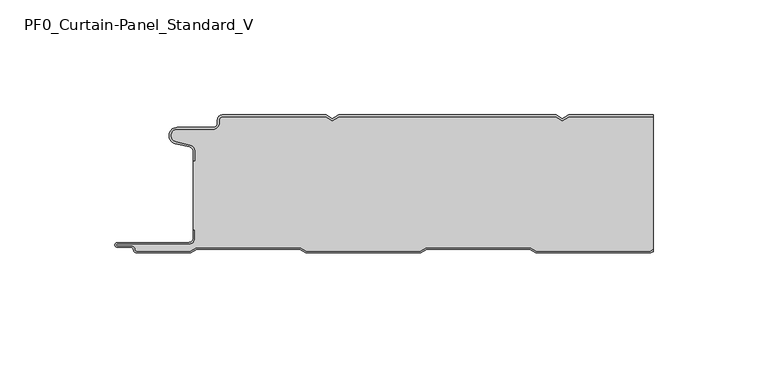
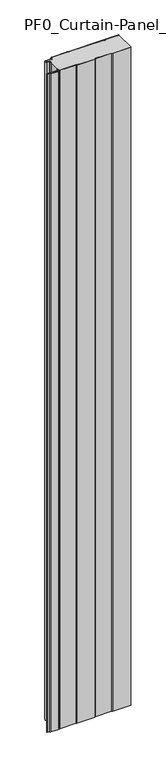
"""IFC4 building model written with IfcOpenShell, lengths in millimetres: plate geometry, PF0_Curtain-Panel_Standard_V."""

import ifcopenshell
import ifcopenshell.guid

model = None  # the IFC model being written
_history = None  # IfcOwnerHistory: only IFC2X3 demands one
_inside = {}  # id of a spatial element -> (the spatial element, [elements in it])
_under = {}  # id of a project, library or spatial element -> (it, [spatial elements below it])
_declared = {}  # id of a project -> (the project, [libraries it declares])
_typed = {}  # id of a type object -> (the type object, [elements of that type])
_made_of = {}  # id of a material, layer set ... -> (it, [elements and type objects made of it])


def new_model(schema):
    """Start an empty IFC model of exactly this schema.

    Asked for "IFC4X3", IfcOpenShell would pick the latest addendum, in which some entities
    have other attributes; the version numbers below select the first issue.
    IFC2X3 requires an IfcOwnerHistory on every rooted entity: one is made here for all.
    """
    global model, _history
    if schema == "IFC4X3":
        model = ifcopenshell.file(schema_version=(4, 3, 0, 0))
    else:
        model = ifcopenshell.file(schema=schema)
    _inside.clear()
    _under.clear()
    _declared.clear()
    _typed.clear()
    _made_of.clear()
    _history = None
    if model.schema == "IFC2X3":
        org = make("IfcOrganization", Name="unknown")
        user = make(
            "IfcPersonAndOrganization",
            ThePerson=make("IfcPerson", FamilyName="unknown"),
            TheOrganization=org,
        )
        app = make(
            "IfcApplication",
            ApplicationDeveloper=org,
            Version="unknown",
            ApplicationFullName="unknown",
            ApplicationIdentifier="unknown",
        )
        _history = make(
            "IfcOwnerHistory",
            OwningUser=user,
            OwningApplication=app,
            ChangeAction="ADDED",
            CreationDate=0,
        )
    return model


def make(cls, **values):
    """One entity of the class cls with the attributes given. An attribute that is None is left unset."""
    return model.create_entity(
        cls, **{name: value for name, value in values.items() if value is not None}
    )


def rooted(cls, **values):
    """An entity with a GlobalId (a new one), such as an element, a storey or a relation."""
    return make(cls, GlobalId=ifcopenshell.guid.new(), OwnerHistory=_history, **values)


def si_unit(unit_type, name, prefix=None):
    """IfcSIUnit, for example si_unit("LENGTHUNIT", "METRE", prefix="MILLI")."""
    return make("IfcSIUnit", UnitType=unit_type, Prefix=prefix, Name=name)


def assignment(units):
    """IfcUnitAssignment: the units of a project."""
    return None if units is None else make("IfcUnitAssignment", Units=units)


def point(xyz):
    """IfcCartesianPoint."""
    return None if xyz is None else make("IfcCartesianPoint", Coordinates=xyz)


def direction(xyz):
    """IfcDirection."""
    return None if xyz is None else make("IfcDirection", DirectionRatios=xyz)


def frame(location, z_axis=None, x_axis=None):
    """IfcAxis2Placement3D, a coordinate frame: its origin and axes. An axis left out is left unset."""
    return make(
        "IfcAxis2Placement3D",
        Location=point(location),
        Axis=direction(z_axis),
        RefDirection=direction(x_axis),
    )


def frame_2d(location, x_axis=None):
    """IfcAxis2Placement2D, a coordinate frame in the plane: its origin and x axis."""
    return make(
        "IfcAxis2Placement2D", Location=point(location), RefDirection=direction(x_axis)
    )


def origin():
    """The frame at (0, 0, 0) with its axes left unset."""
    return frame((0.0, 0.0, 0.0))


def origin_with_axes():
    """The frame at (0, 0, 0) with the z axis (0, 0, 1) and the x axis (1, 0, 0) written out."""
    return frame((0.0, 0.0, 0.0), z_axis=(0.0, 0.0, 1.0), x_axis=(1.0, 0.0, 0.0))


def place(relative_to, where):
    """IfcLocalPlacement: puts the frame where relative to a parent placement (None: the world)."""
    return make(
        "IfcLocalPlacement", PlacementRelTo=relative_to, RelativePlacement=where
    )


def context(
    kind, dimensions, precision=None, world=None, true_north=None, identifier=None
):
    """IfcGeometricRepresentationContext, for example the 3D "Model" context."""
    return make(
        "IfcGeometricRepresentationContext",
        ContextIdentifier=identifier,
        ContextType=kind,
        CoordinateSpaceDimension=dimensions,
        Precision=precision,
        WorldCoordinateSystem=world,
        TrueNorth=true_north,
    )


def project(units=None, contexts=None):
    """IfcProject with its units and contexts."""
    return rooted(
        "IfcProject",
        Name="project",
        RepresentationContexts=contexts,
        UnitsInContext=assignment(units),
    )


def spatial(cls, under=None, at=None, **own):
    """A site, building, storey or space (cls), placed at a placement, below another one or the project."""
    s = rooted(cls, ObjectPlacement=at, **own)
    if under is not None:
        _under.setdefault(under.id(), (under, []))[1].append(s)
    return s


def polyline(points):
    """IfcPolyline through the points."""
    return make("IfcPolyline", Points=[point(p) for p in points])


def circle_curve(where, radius):
    """IfcCircle in the frame where."""
    return make("IfcCircle", Position=where, Radius=radius)


def trimmed(basis, trim1, trim2, sense, master):
    """IfcTrimmedCurve: the piece of a basis curve between two trims."""
    return make(
        "IfcTrimmedCurve",
        BasisCurve=basis,
        Trim1=trim1,
        Trim2=trim2,
        SenseAgreement=sense,
        MasterRepresentation=master,
    )


def segment(curve, same_sense, transition):
    """IfcCompositeCurveSegment."""
    return make(
        "IfcCompositeCurveSegment",
        Transition=transition,
        SameSense=same_sense,
        ParentCurve=curve,
    )


def composite_curve(segments, self_intersect=None):
    """IfcCompositeCurve: segments joined end to end."""
    return make("IfcCompositeCurve", Segments=segments, SelfIntersect=self_intersect)


def outline(outer, holes=None, kind="AREA"):
    """IfcArbitraryClosedProfileDef: a profile drawn as a closed curve; with holes, ...WithVoids."""
    if holes is None:
        return make("IfcArbitraryClosedProfileDef", ProfileType=kind, OuterCurve=outer)
    return make(
        "IfcArbitraryProfileDefWithVoids",
        ProfileType=kind,
        OuterCurve=outer,
        InnerCurves=holes,
    )


def extrude(swept, where, along, depth):
    """IfcExtrudedAreaSolid: the profile swept, set in the frame where, extruded along a direction by depth."""
    return make(
        "IfcExtrudedAreaSolid",
        SweptArea=swept,
        Position=where,
        ExtrudedDirection=direction(along),
        Depth=depth,
    )


def shape(context_of_items, identifier, shape_type, items):
    """IfcShapeRepresentation: the items that make up one representation, for example the "Body"."""
    return make(
        "IfcShapeRepresentation",
        ContextOfItems=context_of_items,
        RepresentationIdentifier=identifier,
        RepresentationType=shape_type,
        Items=items,
    )


def source(mapping_origin, context_of_items, identifier, shape_type, items):
    """IfcRepresentationMap: a shape defined once, which mapped items show again and again."""
    return make(
        "IfcRepresentationMap",
        MappingOrigin=mapping_origin,
        MappedRepresentation=shape(context_of_items, identifier, shape_type, items),
    )


def transform(
    local_origin,
    x_axis=None,
    y_axis=None,
    z_axis=None,
    scale=None,
    scale2=None,
    scale3=None,
    uniform=True,
):
    """IfcCartesianTransformationOperator3D, or its non-uniform kind. x_axis, y_axis, z_axis: its Axis1, 2, 3."""
    if uniform:
        return make(
            "IfcCartesianTransformationOperator3D",
            Axis1=direction(x_axis),
            Axis2=direction(y_axis),
            LocalOrigin=point(local_origin),
            Scale=scale,
            Axis3=direction(z_axis),
        )
    return make(
        "IfcCartesianTransformationOperator3DnonUniform",
        Axis1=direction(x_axis),
        Axis2=direction(y_axis),
        LocalOrigin=point(local_origin),
        Scale=scale,
        Axis3=direction(z_axis),
        Scale2=scale2,
        Scale3=scale3,
    )


def mapped(mapping_source, mapping_target):
    """IfcMappedItem: shows the shape of a source again, moved by a transform."""
    return make(
        "IfcMappedItem", MappingSource=mapping_source, MappingTarget=mapping_target
    )


def made_of(thing, what):
    """Note that an element or type object is made of a material, layer set ...; save() writes the relation."""
    if what is not None:
        _made_of.setdefault(what.id(), (what, []))[1].append(thing)
    return thing


def element(
    cls,
    number,
    at=None,
    inside=None,
    cuts=None,
    type_object=None,
    material=None,
    context=None,
    identifier="Body",
    shape_type=None,
    held_by="IfcProductDefinitionShape",
    body=None,
    shapes=None,
    **own,
):
    """One element of the class cls, such as IfcWall. Its Tag is "e" and its number.

    at: its placement. inside: the storey or other place that contains it. cuts: it is an
    opening in that element (IfcRelVoidsElement). A single representation is given by context,
    identifier, shape_type and body (its items); several are given by shapes. held_by: the class
    of the entity that holds the representations. save() writes the other relations.
    """
    e = rooted(cls, Tag="e%d" % number, ObjectPlacement=at, **own)
    if body is not None:
        shapes = [shape(context, identifier, shape_type, body)]
    if shapes is not None:
        e.Representation = make(held_by, Representations=shapes)
    if inside is not None:
        _inside.setdefault(inside.id(), (inside, []))[1].append(e)
    if cuts is not None:
        rooted(
            "IfcRelVoidsElement", RelatingBuildingElement=cuts, RelatedOpeningElement=e
        )
    if type_object is not None:
        _typed.setdefault(type_object.id(), (type_object, []))[1].append(e)
    return made_of(e, material)


def aggregate(whole, parts):
    """IfcRelAggregates: a whole, such as a stair, and the parts it consists of."""
    return rooted("IfcRelAggregates", RelatingObject=whole, RelatedObjects=parts)


def save(model, path):
    """Write the relations noted so far, then the file.

    IfcRelAggregates (storeys below a building ...), IfcRelContainedInSpatialStructure (elements
    in a storey), IfcRelDefinesByType, IfcRelAssociatesMaterial and IfcRelDeclares: one each for
    every whole, place, type object, material and project.
    """
    for whole, parts in _under.values():
        aggregate(whole, parts)
    for where, things in _inside.values():
        rooted(
            "IfcRelContainedInSpatialStructure",
            RelatedElements=things,
            RelatingStructure=where,
        )
    for kind, things in _typed.values():
        rooted("IfcRelDefinesByType", RelatedObjects=things, RelatingType=kind)
    for what, things in _made_of.values():
        rooted("IfcRelAssociatesMaterial", RelatedObjects=things, RelatingMaterial=what)
    for by, libraries in _declared.values():
        rooted("IfcRelDeclares", RelatingContext=by, RelatedDefinitions=libraries)
    model.write(path)


def pf0_curtain_panel_standard_v_45367542(model_context):
    return source(origin(), model_context, "Body", "SweptSolid", [
        extrude(outline(composite_curve([segment(trimmed(circle_curve(frame_2d((-102.0119739, -15.878557)), 2.0), [point((-100.0119739, -15.878557))], [point((-101.5620718, -13.9298169))], True, "CARTESIAN"), True, "CONTINUOUS"), segment(polyline([(-101.5620718, -13.9298169), (-107.7217978, -12.507732)]), True, "CONTINUOUS"), segment(trimmed(circle_curve(frame_2d((-106.9119739, -9.0)), 3.6), [point((-107.7217978, -12.507732))], [point((-106.9119739, -5.4))], False, "CARTESIAN"), True, "CONTINUOUS"), segment(polyline([(-106.9119739, -5.4), (-91.4119739, -5.4)]), True, "CONTINUOUS"), segment(trimmed(circle_curve(frame_2d((-91.4119739, -3.4)), 2.0), [point((-91.4119739, -5.4))], [point((-89.4119739, -3.4))], True, "CARTESIAN"), True, "CONTINUOUS"), segment(polyline([(-89.4119739, -3.4), (-89.4119739, -2.0)]), True, "CONTINUOUS"), segment(trimmed(circle_curve(frame_2d((-87.4119739, -2.0)), 2.0), [point((-89.4119739, -2.0))], [point((-87.4119739, 0.0))], False, "CARTESIAN"), True, "CONTINUOUS"), segment(polyline([(-87.4119739, 0.0), (-42.1119734, 0.0), (-39.4119739, -1.5588455), (-36.7119745, 0.0), (57.8880266, 0.0), (60.5880261, -1.5588455), (63.2880255, 0.0), (100.0119739, 0.0), (100.0119739, -0.8), (63.5023849, -0.8), (60.5880261, -2.482606), (57.6736672, -0.8), (-36.4976151, -0.8), (-39.4119739, -2.482606), (-42.3263328, -0.8), (-87.4119739, -0.8)]), True, "CONTINUOUS"), segment(trimmed(circle_curve(frame_2d((-87.4119739, -2.0)), 1.2), [point((-87.4119739, -0.8))], [point((-88.6119739, -2.0))], True, "CARTESIAN"), True, "CONTINUOUS"), segment(polyline([(-88.6119739, -2.0), (-88.6119739, -3.4)]), True, "CONTINUOUS"), segment(trimmed(circle_curve(frame_2d((-91.4119739, -3.4)), 2.8), [point((-88.6119739, -3.4))], [point((-91.4119739, -6.2))], False, "CARTESIAN"), True, "CONTINUOUS"), segment(polyline([(-91.4119739, -6.2), (-106.9119739, -6.2)]), True, "CONTINUOUS"), segment(trimmed(circle_curve(frame_2d((-106.9119739, -9.0)), 2.8), [point((-106.9119739, -6.2))], [point((-107.541837, -11.7282362))], True, "CARTESIAN"), True, "CONTINUOUS"), segment(polyline([(-107.541837, -11.7282362), (-101.3821109, -13.150321)]), True, "CONTINUOUS"), segment(trimmed(circle_curve(frame_2d((-102.0119739, -15.878557)), 2.8), [point((-101.3821109, -13.150321))], [point((-99.2119739, -15.878557))], False, "CARTESIAN"), True, "CONTINUOUS"), segment(polyline([(-99.2119739, -15.878557), (-99.2119739, -20.0), (-100.0119739, -20.0), (-100.0119739, -15.878557)]), True, "CONTINUOUS")], self_intersect=False)), origin_with_axes(), (0.0, 0.0, 1.0), 1945.7507136),
        extrude(outline(composite_curve([segment(polyline([(-99.2119739, -50.0), (-100.0119739, -50.0), (-100.0119739, -20.0), (-99.2119739, -20.0), (-99.2119739, -15.878557)]), True, "CONTINUOUS"), segment(trimmed(circle_curve(frame_2d((-102.0119739, -15.878557)), 2.8), [point((-99.2119739, -15.878557))], [point((-101.3821109, -13.1503208))], True, "CARTESIAN"), True, "CONTINUOUS"), segment(polyline([(-101.3821109, -13.1503208), (-107.5418369, -11.7282362)]), True, "CONTINUOUS"), segment(trimmed(circle_curve(frame_2d((-106.9119739, -9.0)), 2.8), [point((-107.5418369, -11.7282362))], [point((-106.9119739, -6.2))], False, "CARTESIAN"), True, "CONTINUOUS"), segment(polyline([(-106.9119739, -6.2), (-91.4119739, -6.2)]), True, "CONTINUOUS"), segment(trimmed(circle_curve(frame_2d((-91.4119739, -3.4)), 2.8), [point((-91.4119739, -6.2))], [point((-88.6119739, -3.4))], True, "CARTESIAN"), True, "CONTINUOUS"), segment(polyline([(-88.6119739, -3.4), (-88.6119739, -2.0)]), True, "CONTINUOUS"), segment(trimmed(circle_curve(frame_2d((-87.4119739, -2.0)), 1.2), [point((-88.6119739, -2.0))], [point((-87.4119739, -0.8))], False, "CARTESIAN"), True, "CONTINUOUS"), segment(polyline([(-87.4119739, -0.8), (-42.3263328, -0.8), (-39.4119739, -2.482606), (-36.4976151, -0.8), (57.6736672, -0.8), (60.5880261, -2.482606), (63.5023849, -0.8), (100.0119739, -0.8), (100.0119739, -58.4878024), (98.7784109, -59.2), (49.2032822, -59.2), (46.6052046, -57.7), (1.3764885, -57.7), (-1.2215891, -59.2), (-50.7967178, -59.2), (-53.3947954, -57.7), (-98.6235115, -57.7), (-101.2215891, -59.2), (-124.4119739, -59.2)]), True, "CONTINUOUS"), segment(trimmed(circle_curve(frame_2d((-124.4119739, -58.4)), 0.8), [point((-124.4119739, -59.2))], [point((-125.2119739, -58.4))], False, "CARTESIAN"), True, "CONTINUOUS"), segment(trimmed(circle_curve(frame_2d((-126.9119739, -58.6133333)), 1.7133333), [point((-125.2119739, -58.4))], [point((-126.9119739, -56.9))], True, "CARTESIAN"), True, "CONTINUOUS"), segment(polyline([(-126.9119739, -56.9), (-132.8820051, -56.9)]), True, "CONTINUOUS"), segment(trimmed(circle_curve(frame_2d((-132.8820051, -56.6)), 0.3), [point((-132.8820051, -56.9))], [point((-132.8820051, -56.3))], False, "CARTESIAN"), True, "CONTINUOUS"), segment(polyline([(-132.8820051, -56.3), (-102.0119739, -56.3)]), True, "CONTINUOUS"), segment(trimmed(circle_curve(frame_2d((-102.0119739, -53.5)), 2.8), [point((-102.0119739, -56.3))], [point((-99.2119739, -53.5))], True, "CARTESIAN"), True, "CONTINUOUS"), segment(polyline([(-99.2119739, -53.5), (-99.2119739, -50.0)]), True, "CONTINUOUS")], self_intersect=False)), origin_with_axes(), (0.0, 0.0, 1.0), 1945.7507136),
        extrude(outline(composite_curve([segment(polyline([(-100.0119739, -50.0), (-99.2119739, -50.0), (-99.2119739, -53.5)]), True, "CONTINUOUS"), segment(trimmed(circle_curve(frame_2d((-102.0119739, -53.5)), 2.8), [point((-99.2119739, -53.5))], [point((-102.0119739, -56.3))], False, "CARTESIAN"), True, "CONTINUOUS"), segment(polyline([(-102.0119739, -56.3), (-132.8820051, -56.3)]), True, "CONTINUOUS"), segment(trimmed(circle_curve(frame_2d((-132.8820051, -56.6)), 0.3), [point((-132.8820051, -56.3))], [point((-132.8820051, -56.9))], True, "CARTESIAN"), True, "CONTINUOUS"), segment(polyline([(-132.8820051, -56.9), (-126.9119739, -56.9)]), True, "CONTINUOUS"), segment(trimmed(circle_curve(frame_2d((-126.9119739, -58.6133333)), 1.7133333), [point((-126.9119739, -56.9))], [point((-125.2119739, -58.4))], False, "CARTESIAN"), True, "CONTINUOUS"), segment(trimmed(circle_curve(frame_2d((-124.4119739, -58.4)), 0.8), [point((-125.2119739, -58.4))], [point((-124.4119739, -59.2))], True, "CARTESIAN"), True, "CONTINUOUS"), segment(polyline([(-124.4119739, -59.2), (-101.2215891, -59.2), (-98.6235115, -57.7), (-53.3947954, -57.7), (-50.7967178, -59.2), (-1.2215891, -59.2), (1.3764885, -57.7), (46.6052046, -57.7), (49.2032822, -59.2), (98.7784109, -59.2), (100.0119739, -58.4878024), (100.0119739, -59.4115627), (98.9927701, -60.0), (48.988923, -60.0), (46.3908454, -58.5), (1.5908477, -58.5), (-1.0072299, -60.0), (-51.011077, -60.0), (-53.6091546, -58.5), (-98.4091523, -58.5), (-101.0072299, -60.0), (-124.4119739, -60.0)]), True, "CONTINUOUS"), segment(trimmed(circle_curve(frame_2d((-124.4119739, -58.4)), 1.6), [point((-124.4119739, -60.0))], [point((-126.0119739, -58.4))], False, "CARTESIAN"), True, "CONTINUOUS"), segment(trimmed(circle_curve(frame_2d((-126.9119739, -58.4)), 0.9), [point((-126.0119739, -58.4))], [point((-126.9119739, -57.5))], True, "CARTESIAN"), True, "CONTINUOUS"), segment(polyline([(-126.9119739, -57.5), (-133.0119739, -57.5)]), True, "CONTINUOUS"), segment(trimmed(circle_curve(frame_2d((-133.0119739, -56.5)), 1.0), [point((-133.0119739, -57.5))], [point((-133.0119739, -55.5))], False, "CARTESIAN"), True, "CONTINUOUS"), segment(polyline([(-133.0119739, -55.5), (-102.0119739, -55.5)]), True, "CONTINUOUS"), segment(trimmed(circle_curve(frame_2d((-102.0119739, -53.5)), 2.0), [point((-102.0119739, -55.5))], [point((-100.0119739, -53.5))], True, "CARTESIAN"), True, "CONTINUOUS"), segment(polyline([(-100.0119739, -53.5), (-100.0119739, -50.0)]), True, "CONTINUOUS")], self_intersect=False)), origin_with_axes(), (0.0, 0.0, 1.0), 1945.7507136),
    ])


if __name__ == "__main__":
    model = new_model("IFC4")
    model_context = context("Model", 3, world=origin())
    ifc_project = project(units=[si_unit("LENGTHUNIT", "METRE", prefix="MILLI")], contexts=[model_context])
    site = spatial("IfcSite", under=ifc_project)
    building = spatial("IfcBuilding", under=site)
    placement = place(None, origin())
    pf0_curtain_panel_standard_v_shape = pf0_curtain_panel_standard_v_45367542(model_context)
    element("IfcPlate", 1, ObjectType="PF0_Curtain-Panel_Standard_V", at=placement, inside=building, context=model_context, shape_type="MappedRepresentation", body=[
        mapped(pf0_curtain_panel_standard_v_shape, transform((0.0, 0.0, 0.0), x_axis=(1.0, 0.0, 0.0), y_axis=(0.0, 1.0, 0.0), z_axis=(0.0, 0.0, 1.0))),
    ])
    save(model, "model.ifc")
